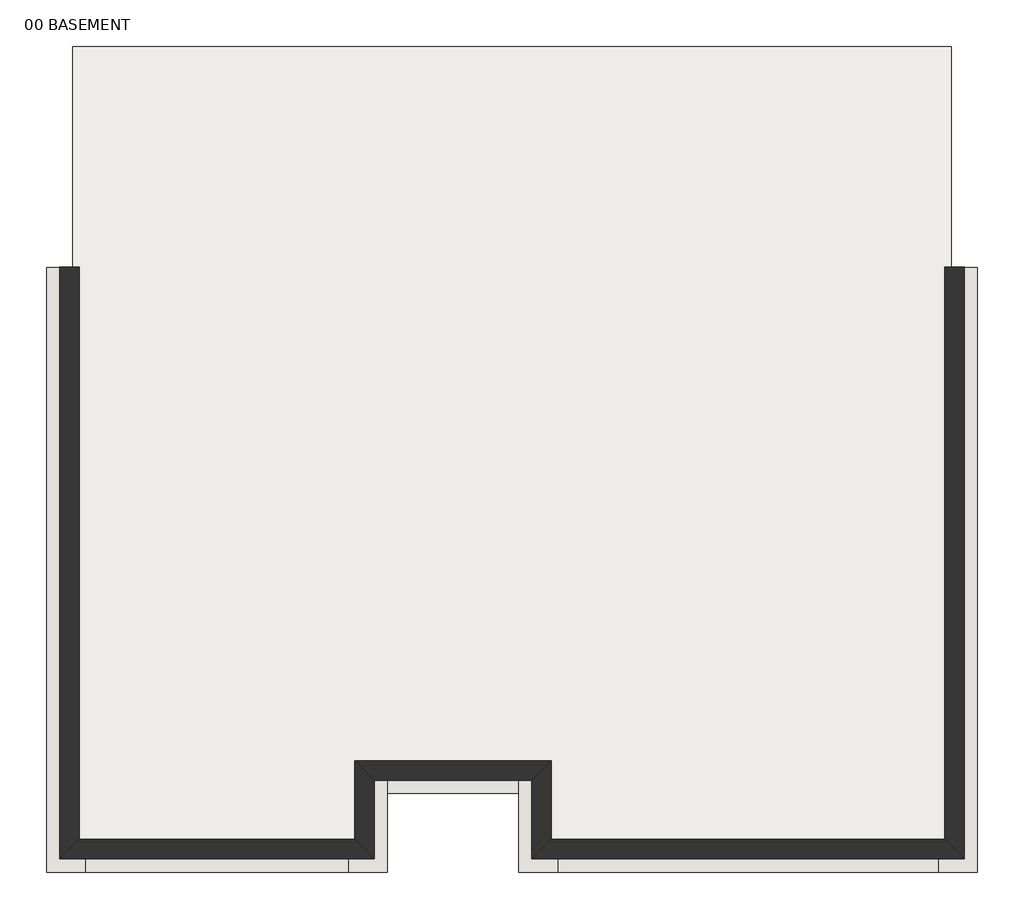
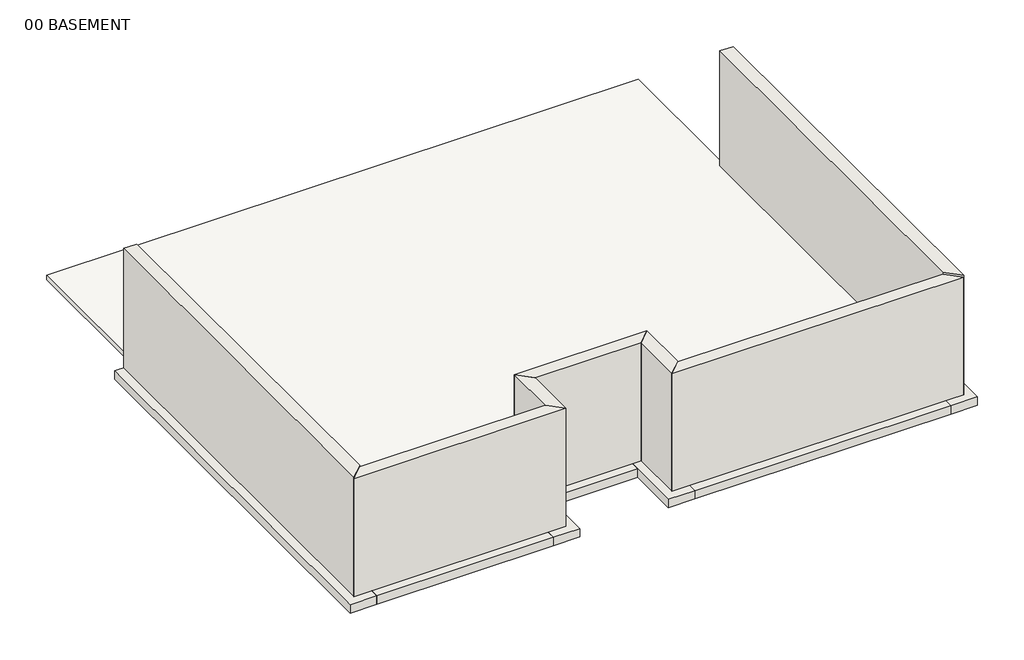
# One storey: 14 walls, 1 slab.
"""IFC4 building model written with IfcOpenShell, lengths in millimetres."""

from ifc_helpers import new_model, si_unit, frame, origin, place, context, project, spatial, polyline, outline, extrude, faceted_brep, element, save

model = new_model("IFC4")

# Units and contexts
model_context = context("Model", 3, world=origin())
ifc_project = project(units=[si_unit("LENGTHUNIT", "METRE", prefix="MILLI")], contexts=[model_context])

# Site, building, storey
site = spatial("IfcSite", under=ifc_project)
building = spatial("IfcBuilding", under=site)
storey = spatial("IfcBuildingStorey", under=building, Name="00 BASEMENT", Elevation=-28.575)

# Slab
placement = place(None, origin())
element("IfcSlab", 1, ObjectType="Concrete - 4\"", at=placement, inside=storey, context=model_context, shape_type="SweptSolid", body=[
    extrude(outline(polyline([(1586.0100557, -1819.3842057), (-1258.7899443, -1819.3842057), (-1258.7899443, -3038.5842057), (-5729.1899443, -3038.5842057), (-5729.1899443, 9356.6157943), (7885.2100557, 9356.6157943), (7885.2100557, -3038.5842057), (1586.0100557, -3038.5842057), (1586.0100557, -1819.3842057)])), frame((0.0, 0.0, -130.175), z_axis=(0.0, 0.0, 1.0), x_axis=(1.0, 0.0, 0.0)), (0.0, 0.0, 1.0), 101.6),
])

# Walls
element("IfcWall", 2, ObjectType="24\" Footing", at=placement, inside=storey, context=model_context, shape_type="Brep", body=[
    faceted_brep([(-5525.9899443, -3444.9842057, -333.375), (-5525.9899443, -2835.3842057, -333.375), (-5525.9899443, 5927.6157943, -333.375), (-5525.9899443, 5927.6157943, -130.175), (-5525.9899443, -2835.3842057, -130.175), (-5525.9899443, -3444.9842057, -130.175), (-6135.5899443, -3444.9842057, -333.375), (-6135.5899443, -3444.9842057, -130.175), (-6135.5899443, 5927.6157943, -130.175), (-6135.5899443, 5927.6157943, -333.375)], [[[0, 1, 2, 3, 4, 5]], [[6, 7, 8, 9]], [[2, 1, 0, 6, 9]], [[3, 2, 9, 8]], [[5, 4, 3, 8, 7]], [[0, 5, 7, 6]]]),
])
element("IfcWall", 3, ObjectType="24\" Footing", at=placement, inside=storey, context=model_context, shape_type="SweptSolid", body=[
    extrude(outline(polyline([(1789.2100557, -2835.3842057), (7682.0100557, -2835.3842057), (7682.0100557, -3444.9842057), (1789.2100557, -3444.9842057), (1789.2100557, -2835.3842057)])), frame((0.0, 0.0, -333.375), z_axis=(0.0, 0.0, 1.0), x_axis=(1.0, 0.0, 0.0)), (0.0, 0.0, 1.0), 203.2),
])
element("IfcWall", 4, ObjectType="24\" Footing", at=placement, inside=storey, context=model_context, shape_type="Brep", body=[
    faceted_brep([(1789.2100557, -3444.9842057, -333.375), (1789.2100557, -2835.3842057, -333.375), (1789.2100557, -1616.1842057, -333.375), (1789.2100557, -1616.1842057, -130.175), (1789.2100557, -2835.3842057, -130.175), (1789.2100557, -3444.9842057, -130.175), (1179.6100557, -3444.9842057, -333.375), (1179.6100557, -3444.9842057, -130.175), (1179.6100557, -2225.7842057, -130.175), (1179.6100557, -1616.1842057, -130.175), (1179.6100557, -1616.1842057, -333.375), (1179.6100557, -2225.7842057, -333.375)], [[[0, 1, 2, 3, 4, 5]], [[6, 7, 8, 9, 10, 11]], [[2, 1, 0, 6, 11, 10]], [[5, 4, 3, 9, 8, 7]], [[0, 5, 7, 6]], [[3, 2, 10, 9]]]),
])
element("IfcWall", 5, ObjectType="24\" Footing", at=placement, inside=storey, context=model_context, shape_type="SweptSolid", body=[
    extrude(outline(polyline([(-852.3899443, -1616.1842057), (1179.6100557, -1616.1842057), (1179.6100557, -2225.7842057), (-852.3899443, -2225.7842057), (-852.3899443, -1616.1842057)])), frame((0.0, 0.0, -333.375), z_axis=(0.0, 0.0, 1.0), x_axis=(1.0, 0.0, 0.0)), (0.0, 0.0, 1.0), 203.2),
])
element("IfcWall", 6, ObjectType="24\" Footing", at=placement, inside=storey, context=model_context, shape_type="Brep", body=[
    faceted_brep([(-1461.9899443, -1616.1842057, -333.375), (-1461.9899443, -2835.3842057, -333.375), (-1461.9899443, -3444.9842057, -333.375), (-1461.9899443, -3444.9842057, -130.175), (-1461.9899443, -2835.3842057, -130.175), (-1461.9899443, -1616.1842057, -130.175), (-852.3899443, -1616.1842057, -333.375), (-852.3899443, -1616.1842057, -130.175), (-852.3899443, -2225.7842057, -130.175), (-852.3899443, -3444.9842057, -130.175), (-852.3899443, -3444.9842057, -333.375), (-852.3899443, -2225.7842057, -333.375)], [[[0, 1, 2, 3, 4, 5]], [[6, 7, 8, 9, 10, 11]], [[2, 1, 0, 6, 11, 10]], [[5, 4, 3, 9, 8, 7]], [[0, 5, 7, 6]], [[3, 2, 10, 9]]]),
])
element("IfcWall", 7, ObjectType="24\" Footing", at=placement, inside=storey, context=model_context, shape_type="SweptSolid", body=[
    extrude(outline(polyline([(-5525.9899443, -2835.3842057), (-1461.9899443, -2835.3842057), (-1461.9899443, -3444.9842057), (-5525.9899443, -3444.9842057), (-5525.9899443, -2835.3842057)])), frame((0.0, 0.0, -333.375), z_axis=(0.0, 0.0, 1.0), x_axis=(1.0, 0.0, 0.0)), (0.0, 0.0, 1.0), 203.2),
])
element("IfcWall", 8, ObjectType="24\" Footing", at=placement, inside=storey, context=model_context, shape_type="Brep", body=[
    faceted_brep([(7682.0100557, 5927.6157943, -333.375), (7682.0100557, -2835.3842057, -333.375), (7682.0100557, -3444.9842057, -333.375), (7682.0100557, -3444.9842057, -130.175), (7682.0100557, -2835.3842057, -130.175), (7682.0100557, 5927.6157943, -130.175), (8291.6100557, 5927.6157943, -333.375), (8291.6100557, 5927.6157943, -130.175), (8291.6100557, -3444.9842057, -130.175), (8291.6100557, -3444.9842057, -333.375)], [[[0, 1, 2, 3, 4, 5]], [[6, 7, 8, 9]], [[2, 1, 0, 6, 9]], [[5, 4, 3, 8, 7]], [[0, 5, 7, 6]], [[3, 2, 9, 8]]]),
])
element("IfcWall", 9, ObjectType="Foundation - 8\" Concrete w/ 4\" Stud", at=placement, inside=storey, context=model_context, shape_type="Brep", body=[
    faceted_brep([(7783.6100557, -2936.9842057, -28.575), (1687.6100557, -2936.9842057, -28.575), (1687.6100557, -2936.9842057, 2727.325), (7783.6100557, -2936.9842057, 2727.325), (8088.4100557, -3241.7842057, -130.175), (8088.4100557, -3241.7842057, 2727.325), (1382.8100557, -3241.7842057, 2727.325), (1382.8100557, -3241.7842057, -130.175), (7885.2100557, -3038.5842057, -130.175), (7885.2100557, -3038.5842057, -28.575), (1586.0100557, -3038.5842057, -28.575), (1586.0100557, -3038.5842057, -130.175)], [[[0, 1, 2, 3]], [[4, 5, 6, 7]], [[3, 2, 6, 5]], [[0, 3, 5, 4, 8, 9]], [[2, 1, 10, 11, 7, 6]], [[1, 0, 9, 10]], [[10, 9, 8, 11]], [[8, 4, 7, 11]]]),
])
element("IfcWall", 10, ObjectType="Foundation - 8\" Concrete w/ 4\" Stud", at=placement, inside=storey, context=model_context, shape_type="Brep", body=[
    faceted_brep([(1687.6100557, -2936.9842057, -28.575), (1687.6100557, -1717.7842057, -28.575), (1687.6100557, -1717.7842057, 2743.2), (1687.6100557, -2936.9842057, 2743.2), (1382.8100557, -3241.7842057, -130.175), (1382.8100557, -3241.7842057, 2743.2), (1382.8100557, -2022.5842057, 2743.2), (1382.8100557, -2022.5842057, -130.175), (1586.0100557, -3038.5842057, -130.175), (1586.0100557, -3038.5842057, -28.575), (1586.0100557, -1819.3842057, -28.575), (1586.0100557, -1819.3842057, -130.175)], [[[0, 1, 2, 3]], [[4, 5, 6, 7]], [[3, 2, 6, 5]], [[0, 3, 5, 4, 8, 9]], [[1, 0, 9, 10]], [[10, 9, 8, 11]], [[8, 4, 7, 11]], [[2, 1, 10, 11, 7, 6]]]),
])
element("IfcWall", 11, ObjectType="Foundation - 8\" Concrete w/ 4\" Stud", at=placement, inside=storey, context=model_context, shape_type="Brep", body=[
    faceted_brep([(1687.6100557, -1717.7842057, -28.575), (-1360.3899443, -1717.7842057, -28.575), (-1360.3899443, -1717.7842057, 2743.2), (1687.6100557, -1717.7842057, 2743.2), (1382.8100557, -2022.5842057, -130.175), (1382.8100557, -2022.5842057, 2743.2), (-1055.5899443, -2022.5842057, 2743.2), (-1055.5899443, -2022.5842057, -130.175), (1586.0100557, -1819.3842057, -28.575), (-1258.7899443, -1819.3842057, -28.575), (1586.0100557, -1819.3842057, -130.175), (-1258.7899443, -1819.3842057, -130.175)], [[[0, 1, 2, 3]], [[4, 5, 6, 7]], [[3, 2, 6, 5]], [[1, 0, 8, 9]], [[9, 8, 10, 11]], [[10, 4, 7, 11]], [[0, 3, 5, 4, 10, 8]], [[2, 1, 9, 11, 7, 6]]]),
])
element("IfcWall", 12, ObjectType="Foundation - 8\" Concrete w/ 4\" Stud", at=placement, inside=storey, context=model_context, shape_type="Brep", body=[
    faceted_brep([(-1360.3899443, -1717.7842057, -28.575), (-1360.3899443, -2936.9842057, -28.575), (-1360.3899443, -2936.9842057, 2743.2), (-1360.3899443, -1717.7842057, 2743.2), (-1055.5899443, -2022.5842057, -130.175), (-1055.5899443, -2022.5842057, 2743.2), (-1055.5899443, -3241.7842057, 2743.2), (-1055.5899443, -3241.7842057, -130.175), (-1258.7899443, -3038.5842057, -28.575), (-1258.7899443, -3038.5842057, -130.175), (-1258.7899443, -1819.3842057, -28.575), (-1258.7899443, -1819.3842057, -130.175)], [[[0, 1, 2, 3]], [[4, 5, 6, 7]], [[3, 2, 6, 5]], [[2, 1, 8, 9, 7, 6]], [[1, 0, 10, 8]], [[8, 10, 11, 9]], [[11, 4, 7, 9]], [[0, 3, 5, 4, 11, 10]]]),
])
element("IfcWall", 13, ObjectType="Foundation - 8\" Concrete w/ 4\" Stud", at=placement, inside=storey, context=model_context, shape_type="Brep", body=[
    faceted_brep([(-1360.3899443, -2936.9842057, -28.575), (-5627.5899443, -2936.9842057, -28.575), (-5627.5899443, -2936.9842057, 2743.2), (-1360.3899443, -2936.9842057, 2743.2), (-1055.5899443, -3241.7842057, -130.175), (-1055.5899443, -3241.7842057, 2743.2), (-5932.3899443, -3241.7842057, 2743.2), (-5932.3899443, -3241.7842057, -130.175), (-1258.7899443, -3038.5842057, -130.175), (-1258.7899443, -3038.5842057, -28.575), (-5729.1899443, -3038.5842057, -28.575), (-5729.1899443, -3038.5842057, -130.175)], [[[0, 1, 2, 3]], [[4, 5, 6, 7]], [[3, 2, 6, 5]], [[0, 3, 5, 4, 8, 9]], [[2, 1, 10, 11, 7, 6]], [[1, 0, 9, 10]], [[10, 9, 8, 11]], [[8, 4, 7, 11]]]),
])
element("IfcWall", 14, ObjectType="Foundation - 8\" Concrete w/ 4\" Stud", at=placement, inside=storey, context=model_context, shape_type="Brep", body=[
    faceted_brep([(-5627.5899443, -2936.9842057, -28.575), (-5627.5899443, 5933.9657943, -28.575), (-5627.5899443, 5933.9657943, 2774.95), (-5627.5899443, -2936.9842057, 2774.95), (-5932.3899443, -3241.7842057, -130.175), (-5932.3899443, -3241.7842057, 2774.95), (-5932.3899443, 5933.9657943, 2774.95), (-5932.3899443, 5933.9657943, -130.175), (-5729.1899443, 5933.9657943, -28.575), (-5729.1899443, 5933.9657943, -130.175), (-5729.1899443, -3038.5842057, -130.175), (-5729.1899443, -3038.5842057, -28.575)], [[[0, 1, 2, 3]], [[4, 5, 6, 7]], [[2, 1, 8, 9, 7, 6]], [[3, 2, 6, 5]], [[0, 3, 5, 4, 10, 11]], [[1, 0, 11, 8]], [[8, 11, 10, 9]], [[10, 4, 7, 9]]]),
])
element("IfcWall", 15, ObjectType="Foundation - 8\" Concrete w/ 4\" Stud", at=placement, inside=storey, context=model_context, shape_type="Brep", body=[
    faceted_brep([(7783.6100557, 5933.9657943, -28.575), (7783.6100557, -2936.9842057, -28.575), (7783.6100557, -2936.9842057, 2774.95), (7783.6100557, 5933.9657943, 2774.95), (8088.4100557, 5933.9657943, -130.175), (8088.4100557, 5933.9657943, 2774.95), (8088.4100557, -3241.7842057, 2774.95), (8088.4100557, -3241.7842057, -130.175), (7885.2100557, 5933.9657943, -130.175), (7885.2100557, 5933.9657943, -28.575), (7885.2100557, -3038.5842057, -28.575), (7885.2100557, -3038.5842057, -130.175)], [[[0, 1, 2, 3]], [[4, 5, 6, 7]], [[3, 2, 6, 5]], [[0, 3, 5, 4, 8, 9]], [[2, 1, 10, 11, 7, 6]], [[1, 0, 9, 10]], [[10, 9, 8, 11]], [[8, 4, 7, 11]]]),
])

save(model, "model.ifc")
